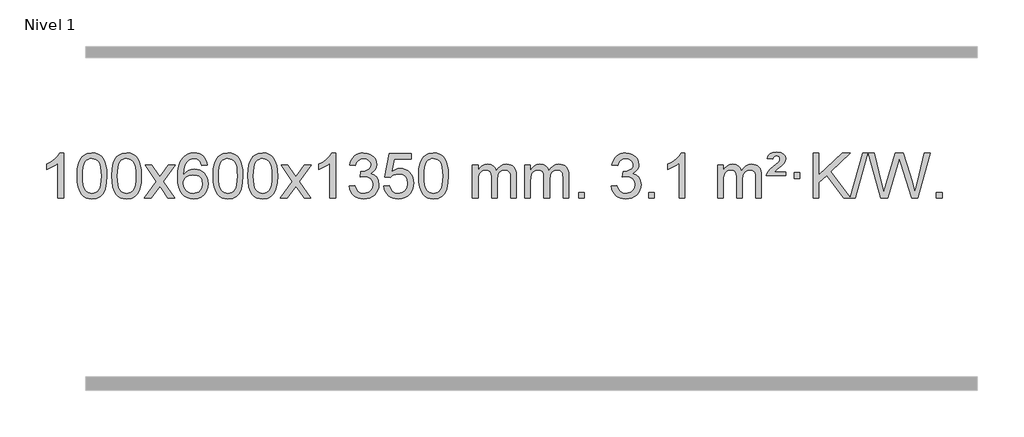
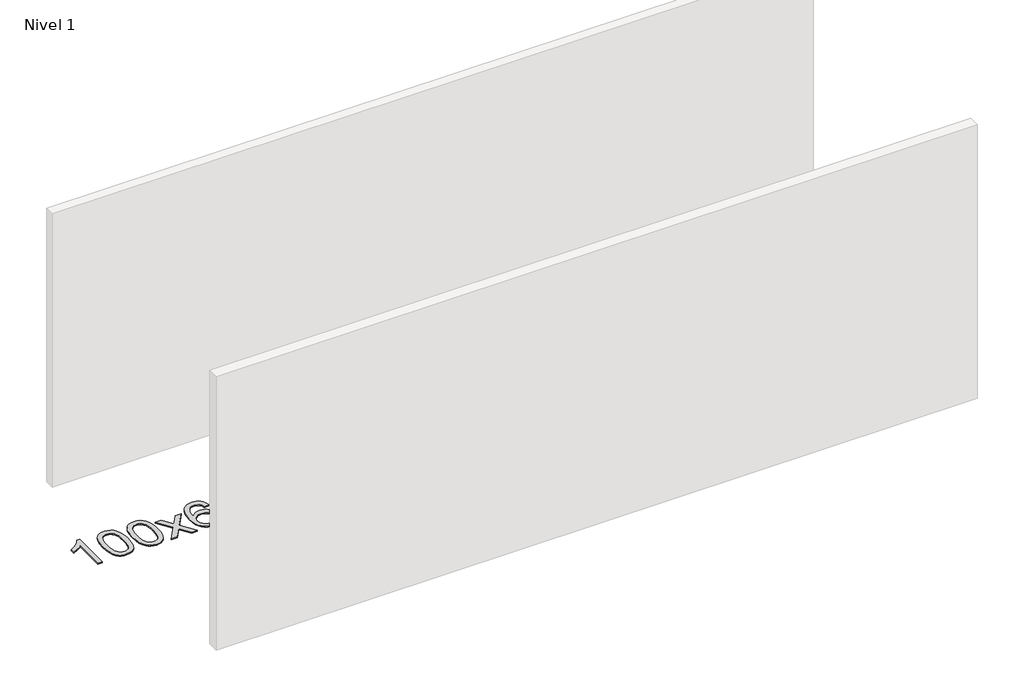
# One storey, part 9 of 18: 1 proxy.
"""IFC4 building model written with IfcOpenShell, lengths in millimetres."""

from ifc_helpers import new_model, si_unit, origin, origin_with_axes, place, context, project, spatial, polyline, outline, extrude, element, save

model = new_model("IFC4")

# Units and contexts
model_context = context("Model", 3, world=origin())
ifc_project = project(units=[si_unit("LENGTHUNIT", "METRE", prefix="MILLI")], contexts=[model_context])

# Site, building, storey
site = spatial("IfcSite", under=ifc_project)
building = spatial("IfcBuilding", under=site)
storey = spatial("IfcBuildingStorey", under=building, Name="Nivel 1", Elevation=0.0)

# Proxy
placement = place(None, origin())
element("IfcBuildingElementProxy", 1, Name="Texto de modelo 1", ObjectType="Texto de modelo 1", at=placement, inside=storey, context=model_context, shape_type="SweptSolid", body=[
    extrude(outline(polyline([(-13075.4615788, -15470.579453), (-13125.6897338, -15470.579453), (-13125.6897338, -15157.4382987), (-13146.6590076, -15174.3976587), (-13173.2691385, -15191.3324932), (-13226.146044, -15216.6918254), (-13226.146044, -15169.2105225), (-13186.6968314, -15147.7507395), (-13152.520594, -15122.219729), (-13125.5793692, -15095.0700378), (-13107.8351943, -15068.7542124), (-13075.4615788, -15068.7542124), (-13075.4615788, -15470.579453)])), origin_with_axes(), (0.0, 0.0, 1.0), 10.0),
    extrude(outline(polyline([(-12956.1697105, -15272.9041943), (-12952.4786278, -15208.5861588), (-12941.4053797, -15157.2911459), (-12923.0603309, -15118.2343407), (-12911.2022679, -15103.0009605), (-12897.5538459, -15090.6309284), (-12882.0690796, -15081.0598651), (-12864.7019837, -15074.2233914), (-12824.3208034, -15068.7542124), (-12793.3696649, -15071.991574), (-12765.6558879, -15081.7036586), (-12742.4793222, -15097.5103217), (-12725.1398175, -15119.0314184), (-12712.0432185, -15146.0830078), (-12701.5953698, -15178.4811488), (-12694.7527647, -15219.6226186), (-12692.4718963, -15272.9041943), (-12696.1261908, -15336.8543477), (-12707.0890743, -15388.0267333), (-12725.3237585, -15427.1203266), (-12737.1542303, -15442.3996922), (-12750.7934553, -15454.8341036), (-12766.2966157, -15464.4695462), (-12783.7188939, -15471.3520052), (-12824.3208034, -15476.8579724), (-12851.9855294, -15474.4667394), (-12876.5109958, -15467.2930405), (-12897.8972024, -15455.3368757), (-12916.1441494, -15438.5982449), (-12933.6553324, -15408.3399508), (-12946.1633202, -15370.6381776), (-12953.6681129, -15325.4929255), (-12956.1697105, -15272.9041943)]), holes=[polyline([(-12905.9415554, -15272.8060924), (-12904.4700274, -15316.4706195), (-12900.0554435, -15351.8148822), (-12892.6978036, -15378.8388804), (-12882.3971077, -15397.5426142), (-12869.9381708, -15410.2682656), (-12856.1058078, -15419.3580165), (-12840.9000186, -15424.8118671), (-12824.3208034, -15426.6298173), (-12807.7415881, -15424.8057357), (-12792.535799, -15419.3334911), (-12778.703436, -15410.2130833), (-12766.2444991, -15397.4445124), (-12755.9438032, -15378.7101217), (-12748.5861633, -15351.6922549), (-12744.1715794, -15316.3909118), (-12742.7000514, -15272.8060924), (-12744.1225284, -15230.2973278), (-12748.3899596, -15195.5753989), (-12755.5023448, -15168.6403055), (-12765.4596842, -15149.4920476), (-12777.7101546, -15136.1440625), (-12791.7019332, -15126.6097875), (-12807.4350198, -15120.8892225), (-12824.9094146, -15118.9823675), (-12841.4027907, -15120.6623619), (-12856.3510624, -15125.7023452), (-12869.7542298, -15134.1023175), (-12881.6122928, -15145.8622786), (-12892.2563452, -15166.708925), (-12899.8592397, -15194.8151094), (-12904.4209765, -15230.1808319), (-12905.9415554, -15272.8060924)])]), origin_with_axes(), (0.0, 0.0, 1.0), 10.0),
    extrude(outline(polyline([(-12648.5222606, -15272.9041943), (-12644.8311779, -15208.5861588), (-12633.7579299, -15157.2911459), (-12615.4128811, -15118.2343407), (-12603.5548181, -15103.0009605), (-12589.9063961, -15090.6309284), (-12574.4216298, -15081.0598651), (-12557.0545339, -15074.2233914), (-12516.6733536, -15068.7542124), (-12485.722215, -15071.991574), (-12458.0084381, -15081.7036586), (-12434.8318724, -15097.5103217), (-12417.4923677, -15119.0314184), (-12404.3957686, -15146.0830078), (-12393.94792, -15178.4811488), (-12387.1053149, -15219.6226186), (-12384.8244465, -15272.9041943), (-12388.478741, -15336.8543477), (-12399.4416244, -15388.0267333), (-12417.6763087, -15427.1203266), (-12429.5067805, -15442.3996922), (-12443.1460055, -15454.8341036), (-12458.6491659, -15464.4695462), (-12476.071444, -15471.3520052), (-12516.6733536, -15476.8579724), (-12544.3380796, -15474.4667394), (-12568.8635459, -15467.2930405), (-12590.2497526, -15455.3368757), (-12608.4966996, -15438.5982449), (-12626.0078825, -15408.3399508), (-12638.5158704, -15370.6381776), (-12646.0206631, -15325.4929255), (-12648.5222606, -15272.9041943)]), holes=[polyline([(-12598.2941056, -15272.8060924), (-12596.8225776, -15316.4706195), (-12592.4079936, -15351.8148822), (-12585.0503537, -15378.8388804), (-12574.7496579, -15397.5426142), (-12562.290721, -15410.2682656), (-12548.4583579, -15419.3580165), (-12533.2525688, -15424.8118671), (-12516.6733536, -15426.6298173), (-12500.0941383, -15424.8057357), (-12484.8883492, -15419.3334911), (-12471.0559862, -15410.2130833), (-12458.5970493, -15397.4445124), (-12448.2963534, -15378.7101217), (-12440.9387135, -15351.6922549), (-12436.5241295, -15316.3909118), (-12435.0526016, -15272.8060924), (-12436.4750786, -15230.2973278), (-12440.7425098, -15195.5753989), (-12447.854895, -15168.6403055), (-12457.8122343, -15149.4920476), (-12470.0627048, -15136.1440625), (-12484.0544833, -15126.6097875), (-12499.78757, -15120.8892225), (-12517.2619648, -15118.9823675), (-12533.7553409, -15120.6623619), (-12548.7036126, -15125.7023452), (-12562.10678, -15134.1023175), (-12573.9648429, -15145.8622786), (-12584.6088953, -15166.708925), (-12592.2117899, -15194.8151094), (-12596.7735266, -15230.1808319), (-12598.2941056, -15272.8060924)])]), origin_with_axes(), (0.0, 0.0, 1.0), 10.0),
    extrude(outline(polyline([(-12359.7103689, -15470.579453), (-12252.3869282, -15322.2494325), (-12353.4318496, -15175.4890419), (-12293.0011005, -15175.4890419), (-12244.2444734, -15246.122385), (-12221.4848406, -15279.4770192), (-12201.7663657, -15252.2047007), (-12146.2407099, -15175.4890419), (-12085.8099608, -15175.4890419), (-12191.9561791, -15322.2494325), (-12089.7340354, -15470.579453), (-12150.1647845, -15470.579453), (-12211.6746541, -15381.4048574), (-12222.9563686, -15365.1199477), (-12299.2796199, -15470.579453), (-12359.7103689, -15470.579453)])), origin_with_axes(), (0.0, 0.0, 1.0), 10.0),
    extrude(outline(polyline([(-11800.9221437, -15175.4890419), (-11851.1502988, -15181.7675613), (-11859.2437027, -15156.874213), (-11870.1820607, -15139.8780648), (-11892.9662189, -15124.2062918), (-11920.5083176, -15118.9823675), (-11943.8565616, -15122.0235253), (-11965.8313794, -15131.1469988), (-11984.7037258, -15150.3627017), (-12000.1179814, -15176.8134171), (-12010.5290419, -15214.227016), (-12014.3918028, -15266.3313693), (-11994.2441322, -15242.8237098), (-11970.0988106, -15226.2567573), (-11943.3047386, -15216.434308), (-11915.2108169, -15213.1601582), (-11891.077758, -15215.398107), (-11868.8086346, -15222.1119534), (-11848.4034466, -15233.3016975), (-11829.862194, -15248.9673391), (-11814.4540698, -15268.1769106), (-11803.4482668, -15289.9984443), (-11796.844785, -15314.4319401), (-11794.6436244, -15341.4773982), (-11798.7884282, -15377.4439945), (-11811.2228396, -15410.786366), (-11830.9167891, -15439.0642287), (-11856.840207, -15459.8372987), (-11887.815871, -15472.602804), (-11922.6665587, -15476.8579724), (-11952.6090874, -15474.0375437), (-11979.6514797, -15465.5762579), (-12003.7937357, -15451.4741147), (-12025.0358552, -15431.7311143), (-12042.3539001, -15405.5133908), (-12054.7239322, -15371.9870783), (-12062.1459515, -15331.1521768), (-12064.6199579, -15283.0086864), (-12061.8731057, -15229.0342663), (-12053.632549, -15182.9693092), (-12039.8982878, -15144.8138149), (-12020.6703222, -15114.5677835), (-11999.8298072, -15094.5243462), (-11975.6660915, -15080.2076052), (-11948.179175, -15071.6175606), (-11917.3690579, -15068.7542124), (-11894.2354118, -15070.5261773), (-11873.2967949, -15075.8420722), (-11854.5532073, -15084.7018969), (-11838.0046489, -15097.1056515), (-11824.0987094, -15112.6364031), (-11813.2829788, -15130.8772186), (-11805.5574569, -15151.8280983), (-11800.9221437, -15175.4890419)]), holes=[polyline([(-12014.3918028, -15340.6925832), (-12011.485535, -15362.9494439), (-12002.7667318, -15384.2007605), (-11989.2286743, -15402.472233), (-11971.8646442, -15415.7895612), (-11950.9076332, -15423.9197533), (-11926.5906333, -15426.6298173), (-11893.4444655, -15421.0134855), (-11879.5293291, -15413.9930708), (-11867.3861575, -15404.1644901), (-11857.5361171, -15391.9262824), (-11850.500374, -15377.6769865), (-11844.8717794, -15343.1451299), (-11850.4267976, -15309.9989621), (-11857.3705702, -15296.3781312), (-11867.0918519, -15284.725469), (-11879.2718117, -15275.3904634), (-11893.5916183, -15268.7226022), (-11928.6507725, -15263.3883133), (-11961.7478893, -15268.7226022), (-11989.4248781, -15284.725469), (-12000.3479076, -15296.2248471), (-12008.1500716, -15309.3858254), (-12012.83137, -15324.2084042), (-12014.3918028, -15340.6925832)])]), origin_with_axes(), (0.0, 0.0, 1.0), 10.0),
    extrude(outline(polyline([(-11750.6939887, -15272.9041943), (-11747.002906, -15208.5861588), (-11735.9296579, -15157.2911459), (-11717.5846091, -15118.2343407), (-11705.7265461, -15103.0009605), (-11692.0781241, -15090.6309284), (-11676.5933578, -15081.0598651), (-11659.2262619, -15074.2233914), (-11618.8450816, -15068.7542124), (-11587.8939431, -15071.991574), (-11560.1801661, -15081.7036586), (-11537.0036004, -15097.5103217), (-11519.6640957, -15119.0314184), (-11506.5674967, -15146.0830078), (-11496.119648, -15178.4811488), (-11489.2770429, -15219.6226186), (-11486.9961745, -15272.9041943), (-11490.650469, -15336.8543477), (-11501.6133525, -15388.0267333), (-11519.8480367, -15427.1203266), (-11531.6785085, -15442.3996922), (-11545.3177335, -15454.8341036), (-11560.8208939, -15464.4695462), (-11578.2431721, -15471.3520052), (-11618.8450816, -15476.8579724), (-11646.5098076, -15474.4667394), (-11671.035274, -15467.2930405), (-11692.4214806, -15455.3368757), (-11710.6684276, -15438.5982449), (-11728.1796106, -15408.3399508), (-11740.6875984, -15370.6381776), (-11748.1923911, -15325.4929255), (-11750.6939887, -15272.9041943)]), holes=[polyline([(-11700.4658336, -15272.8060924), (-11698.9943056, -15316.4706195), (-11694.5797217, -15351.8148822), (-11687.2220818, -15378.8388804), (-11676.9213859, -15397.5426142), (-11664.462449, -15410.2682656), (-11650.630086, -15419.3580165), (-11635.4242968, -15424.8118671), (-11618.8450816, -15426.6298173), (-11602.2658663, -15424.8057357), (-11587.0600772, -15419.3334911), (-11573.2277142, -15410.2130833), (-11560.7687773, -15397.4445124), (-11550.4680814, -15378.7101217), (-11543.1104415, -15351.6922549), (-11538.6958576, -15316.3909118), (-11537.2243296, -15272.8060924), (-11538.6468066, -15230.2973278), (-11542.9142378, -15195.5753989), (-11550.026623, -15168.6403055), (-11559.9839624, -15149.4920476), (-11572.2344328, -15136.1440625), (-11586.2262114, -15126.6097875), (-11601.959298, -15120.8892225), (-11619.4336928, -15118.9823675), (-11635.9270689, -15120.6623619), (-11650.8753406, -15125.7023452), (-11664.278508, -15134.1023175), (-11676.136571, -15145.8622786), (-11686.7806234, -15166.708925), (-11694.3835179, -15194.8151094), (-11698.9452547, -15230.1808319), (-11700.4658336, -15272.8060924)])]), origin_with_axes(), (0.0, 0.0, 1.0), 10.0),
    extrude(outline(polyline([(-11443.0465388, -15272.9041943), (-11439.3554561, -15208.5861588), (-11428.2822081, -15157.2911459), (-11409.9371593, -15118.2343407), (-11398.0790963, -15103.0009605), (-11384.4306743, -15090.6309284), (-11368.945908, -15081.0598651), (-11351.5788121, -15074.2233914), (-11311.1976318, -15068.7542124), (-11280.2464932, -15071.991574), (-11252.5327163, -15081.7036586), (-11229.3561506, -15097.5103217), (-11212.0166459, -15119.0314184), (-11198.9200468, -15146.0830078), (-11188.4721982, -15178.4811488), (-11181.6295931, -15219.6226186), (-11179.3487247, -15272.9041943), (-11183.0030192, -15336.8543477), (-11193.9659026, -15388.0267333), (-11212.2005869, -15427.1203266), (-11224.0310587, -15442.3996922), (-11237.6702837, -15454.8341036), (-11253.1734441, -15464.4695462), (-11270.5957222, -15471.3520052), (-11311.1976318, -15476.8579724), (-11338.8623578, -15474.4667394), (-11363.3878241, -15467.2930405), (-11384.7740308, -15455.3368757), (-11403.0209778, -15438.5982449), (-11420.5321607, -15408.3399508), (-11433.0401486, -15370.6381776), (-11440.5449413, -15325.4929255), (-11443.0465388, -15272.9041943)]), holes=[polyline([(-11392.8183838, -15272.8060924), (-11391.3468558, -15316.4706195), (-11386.9322718, -15351.8148822), (-11379.5746319, -15378.8388804), (-11369.2739361, -15397.5426142), (-11356.8149992, -15410.2682656), (-11342.9826361, -15419.3580165), (-11327.776847, -15424.8118671), (-11311.1976318, -15426.6298173), (-11294.6184165, -15424.8057357), (-11279.4126274, -15419.3334911), (-11265.5802644, -15410.2130833), (-11253.1213275, -15397.4445124), (-11242.8206316, -15378.7101217), (-11235.4629917, -15351.6922549), (-11231.0484077, -15316.3909118), (-11229.5768798, -15272.8060924), (-11230.9993568, -15230.2973278), (-11235.266788, -15195.5753989), (-11242.3791732, -15168.6403055), (-11252.3365125, -15149.4920476), (-11264.586983, -15136.1440625), (-11278.5787615, -15126.6097875), (-11294.3118482, -15120.8892225), (-11311.786243, -15118.9823675), (-11328.2796191, -15120.6623619), (-11343.2278908, -15125.7023452), (-11356.6310582, -15134.1023175), (-11368.4891211, -15145.8622786), (-11379.1331735, -15166.708925), (-11386.7360681, -15194.8151094), (-11391.2978048, -15230.1808319), (-11392.8183838, -15272.8060924)])]), origin_with_axes(), (0.0, 0.0, 1.0), 10.0),
    extrude(outline(polyline([(-11154.2346472, -15470.579453), (-11046.9112064, -15322.2494325), (-11147.9561278, -15175.4890419), (-11087.5253787, -15175.4890419), (-11038.7687516, -15246.122385), (-11016.0091188, -15279.4770192), (-10996.2906439, -15252.2047007), (-10940.7649881, -15175.4890419), (-10880.334239, -15175.4890419), (-10986.4804574, -15322.2494325), (-10884.2583136, -15470.579453), (-10944.6890627, -15470.579453), (-11006.1989323, -15381.4048574), (-11017.4806468, -15365.1199477), (-11093.8038981, -15470.579453), (-11154.2346472, -15470.579453)])), origin_with_axes(), (0.0, 0.0, 1.0), 10.0),
    extrude(outline(polyline([(-10664.5101352, -15470.579453), (-10714.7382902, -15470.579453), (-10714.7382902, -15157.4382987), (-10735.707564, -15174.3976587), (-10762.317695, -15191.3324932), (-10815.1946004, -15216.6918254), (-10815.1946004, -15169.2105225), (-10775.7453878, -15147.7507395), (-10741.5691504, -15122.219729), (-10714.6279257, -15095.0700378), (-10696.8837508, -15068.7542124), (-10664.5101352, -15068.7542124), (-10664.5101352, -15470.579453)])), origin_with_axes(), (0.0, 0.0, 1.0), 10.0),
    extrude(outline(polyline([(-10545.2182669, -15363.8446235), (-10494.9901118, -15357.5661041), (-10483.7451855, -15389.1303793), (-10467.2763348, -15410.4430095), (-10444.7742195, -15422.5831154), (-10415.429499, -15426.6298173), (-10380.9957442, -15421.0625364), (-10366.7219228, -15414.1034354), (-10354.4101387, -15404.3606939), (-10337.4139905, -15379.4428201), (-10331.7486078, -15349.2274455), (-10337.3649396, -15320.5449126), (-10354.213935, -15297.2825078), (-10379.72042, -15281.8682522), (-10411.3092206, -15276.730167), (-10446.5277903, -15282.2238715), (-10440.935984, -15231.9957164), (-10432.891631, -15232.5843276), (-10402.7988838, -15228.979084), (-10375.8944472, -15218.1633534), (-10364.8211992, -15209.9841103), (-10356.9117363, -15199.8673555), (-10352.1660585, -15187.8130888), (-10350.584166, -15173.8213102), (-10355.1704282, -15152.1285352), (-10368.9292148, -15134.5315131), (-10389.923014, -15122.8696539), (-10416.2143139, -15118.9823675), (-10442.5546648, -15122.9064421), (-10464.0880242, -15134.6786659), (-10479.8088481, -15154.299039), (-10488.7115924, -15181.7675613), (-10538.9397475, -15175.4890419), (-10532.9861905, -15151.5092672), (-10524.1508913, -15130.3867093), (-10512.4338497, -15112.1213683), (-10497.8350659, -15096.713244), (-10480.8143922, -15084.4811677), (-10461.8316813, -15075.7439703), (-10440.886933, -15070.5016519), (-10417.9801475, -15068.7542124), (-10386.4036096, -15072.2000404), (-10357.4022456, -15082.5375245), (-10332.9503557, -15098.8469596), (-10315.0222398, -15120.2086408), (-10304.0225681, -15144.8199463), (-10300.3560109, -15170.8782543), (-10303.8386271, -15195.1584659), (-10314.2864758, -15217.1823347), (-10331.5524041, -15235.9443165), (-10355.4892592, -15250.4388671), (-10324.0476114, -15263.1430586), (-10300.7484183, -15284.77452), (-10286.3274441, -15314.1560286), (-10281.5204527, -15350.1103623), (-10283.9239484, -15375.5923218), (-10291.1344355, -15399.0631931), (-10303.151914, -15420.5229762), (-10319.976384, -15439.971671), (-10340.4735425, -15456.1094278), (-10363.5090867, -15467.636397), (-10389.0830168, -15474.5525785), (-10417.1953326, -15476.8579724), (-10442.6037157, -15474.8898037), (-10465.7557559, -15468.9852977), (-10486.6514532, -15459.1444543), (-10505.2908077, -15445.3672736), (-10520.9196611, -15428.4630959), (-10532.7838554, -15409.2412617), (-10540.8833907, -15387.7017708), (-10545.2182669, -15363.8446235)])), origin_with_axes(), (0.0, 0.0, 1.0), 10.0),
    extrude(outline(polyline([(-10237.570817, -15363.8446235), (-10187.342662, -15357.5661041), (-10178.1210866, -15387.7201649), (-10162.0323807, -15409.3148381), (-10139.1501206, -15422.3010725), (-10109.5478827, -15426.6298173), (-10090.418019, -15425.1245668), (-10073.5444981, -15420.6088153), (-10058.9273202, -15413.0825628), (-10046.5664851, -15402.5458094), (-10036.7379045, -15389.519721), (-10029.7174898, -15374.5254641), (-10024.101158, -15338.6324441), (-10029.3618705, -15304.8363514), (-10035.9377612, -15290.9181493), (-10045.1440081, -15278.9865099), (-10057.0112681, -15269.4154467), (-10071.5701981, -15262.5789729), (-10108.7630678, -15257.1097939), (-10133.1291186, -15259.2925604), (-10152.8598563, -15265.8408599), (-10168.6174684, -15275.8717757), (-10181.0641426, -15288.5023908), (-10231.2922977, -15282.2238715), (-10187.342662, -15075.0327318), (-9992.708561, -15075.0327318), (-9992.708561, -15125.2608869), (-10146.7284897, -15125.2608869), (-10168.2127982, -15235.919791), (-10150.4870174, -15223.2155994), (-10132.332041, -15214.1411769), (-10113.7478688, -15208.6965234), (-10094.734501, -15206.8816388), (-10070.273414, -15209.1318504), (-10047.8050212, -15215.882485), (-10027.3293225, -15227.1335427), (-10008.8463179, -15242.8850234), (-9993.5454926, -15262.1743027), (-9982.6163316, -15284.038756), (-9976.0588351, -15308.4783832), (-9973.8730029, -15335.4931844), (-9975.8411716, -15361.5147042), (-9981.7456776, -15385.7213394), (-9991.586521, -15408.1130902), (-10005.3637017, -15428.6899565), (-10026.2348735, -15449.7634634), (-10050.5886616, -15464.8159684), (-10078.4250659, -15473.8474714), (-10109.7440864, -15476.8579724), (-10135.6644387, -15474.9235262), (-10159.077062, -15469.1201877), (-10179.9819564, -15459.447957), (-10198.3791218, -15445.9068338), (-10213.6860785, -15429.1712688), (-10225.3203466, -15409.915712), (-10233.2819261, -15388.1401636), (-10237.570817, -15363.8446235)])), origin_with_axes(), (0.0, 0.0, 1.0), 10.0),
    extrude(outline(polyline([(-9929.9233672, -15272.9041943), (-9926.2322845, -15208.5861588), (-9915.1590365, -15157.2911459), (-9896.8139876, -15118.2343407), (-9884.9559247, -15103.0009605), (-9871.3075026, -15090.6309284), (-9855.8227363, -15081.0598651), (-9838.4556405, -15074.2233914), (-9798.0744601, -15068.7542124), (-9767.1233216, -15071.991574), (-9739.4095446, -15081.7036586), (-9716.2329789, -15097.5103217), (-9698.8934742, -15119.0314184), (-9685.7968752, -15146.0830078), (-9675.3490265, -15178.4811488), (-9668.5064214, -15219.6226186), (-9666.2255531, -15272.9041943), (-9669.8798475, -15336.8543477), (-9680.842731, -15388.0267333), (-9699.0774152, -15427.1203266), (-9710.9078871, -15442.3996922), (-9724.547112, -15454.8341036), (-9740.0502724, -15464.4695462), (-9757.4725506, -15471.3520052), (-9798.0744601, -15476.8579724), (-9825.7391862, -15474.4667394), (-9850.2646525, -15467.2930405), (-9871.6508592, -15455.3368757), (-9889.8978061, -15438.5982449), (-9907.4089891, -15408.3399508), (-9919.9169769, -15370.6381776), (-9927.4217696, -15325.4929255), (-9929.9233672, -15272.9041943)]), holes=[polyline([(-9879.6952121, -15272.8060924), (-9878.2236842, -15316.4706195), (-9873.8091002, -15351.8148822), (-9866.4514603, -15378.8388804), (-9856.1507644, -15397.5426142), (-9843.6918275, -15410.2682656), (-9829.8594645, -15419.3580165), (-9814.6536754, -15424.8118671), (-9798.0744601, -15426.6298173), (-9781.4952449, -15424.8057357), (-9766.2894558, -15419.3334911), (-9752.4570927, -15410.2130833), (-9739.9981558, -15397.4445124), (-9729.69746, -15378.7101217), (-9722.3398201, -15351.6922549), (-9717.9252361, -15316.3909118), (-9716.4537081, -15272.8060924), (-9717.8761852, -15230.2973278), (-9722.1436163, -15195.5753989), (-9729.2560016, -15168.6403055), (-9739.2133409, -15149.4920476), (-9751.4638113, -15136.1440625), (-9765.4555899, -15126.6097875), (-9781.1886766, -15120.8892225), (-9798.6630713, -15118.9823675), (-9815.1564474, -15120.6623619), (-9830.1047192, -15125.7023452), (-9843.5078865, -15134.1023175), (-9855.3659495, -15145.8622786), (-9866.0100019, -15166.708925), (-9873.6128965, -15194.8151094), (-9878.1746332, -15230.1808319), (-9879.6952121, -15272.8060924)])]), origin_with_axes(), (0.0, 0.0, 1.0), 10.0),
    extrude(outline(polyline([(-9452.755894, -15470.579453), (-9452.755894, -15175.4890419), (-9402.5277389, -15175.4890419), (-9402.5277389, -15224.0494653), (-9387.4200517, -15201.7435537), (-9367.9958823, -15184.2691589), (-9344.9174185, -15172.9751816), (-9318.8468478, -15169.2105225), (-9290.9123416, -15173.048758), (-9268.5205908, -15184.5634645), (-9251.7942228, -15202.9943524), (-9240.8558648, -15227.5811324), (-9222.5476041, -15202.0439906), (-9201.6641696, -15183.803175), (-9178.205561, -15172.8586857), (-9152.1717785, -15169.2105225), (-9132.0639617, -15170.7280358), (-9114.414823, -15175.2805755), (-9099.2243623, -15182.8681416), (-9086.4925796, -15193.4907342), (-9076.4279413, -15207.2709806), (-9069.238914, -15224.3315082), (-9064.9254976, -15244.6723168), (-9063.4876922, -15268.2934066), (-9063.4876922, -15470.579453), (-9113.7158472, -15470.579453), (-9113.7158472, -15289.875817), (-9114.8808069, -15264.8230531), (-9118.3756858, -15247.9372695), (-9124.9239854, -15236.3735121), (-9135.2492067, -15227.2868268), (-9148.5297467, -15221.4007149), (-9163.9440023, -15219.4386776), (-9191.1550072, -15224.4663982), (-9213.3382915, -15239.54956), (-9221.9436645, -15251.1194488), (-9228.0903595, -15265.7182326), (-9233.0077155, -15304.0024856), (-9233.0077155, -15470.579453), (-9283.2358706, -15470.579453), (-9283.2358706, -15284.2840106), (-9286.1421384, -15255.8835206), (-9294.8609417, -15235.6254854), (-9310.2016209, -15223.4853796), (-9332.9735164, -15219.4386776), (-9352.3241093, -15222.1364789), (-9370.1541233, -15230.2298828), (-9384.8694032, -15243.5226856), (-9394.8757934, -15261.8186835), (-9400.6147525, -15287.2025411), (-9402.5277389, -15321.7589232), (-9402.5277389, -15470.579453), (-9452.755894, -15470.579453)])), origin_with_axes(), (0.0, 0.0, 1.0), 10.0),
    extrude(outline(polyline([(-8988.1454596, -15470.579453), (-8988.1454596, -15175.4890419), (-8937.9173045, -15175.4890419), (-8937.9173045, -15224.0494653), (-8922.8096172, -15201.7435537), (-8903.3854479, -15184.2691589), (-8880.306984, -15172.9751816), (-8854.2364133, -15169.2105225), (-8826.3019071, -15173.048758), (-8803.9101564, -15184.5634645), (-8787.1837883, -15202.9943524), (-8776.2454303, -15227.5811324), (-8757.9371697, -15202.0439906), (-8737.0537351, -15183.803175), (-8713.5951266, -15172.8586857), (-8687.561344, -15169.2105225), (-8667.4535273, -15170.7280358), (-8649.8043886, -15175.2805755), (-8634.6139279, -15182.8681416), (-8621.8821452, -15193.4907342), (-8611.8175069, -15207.2709806), (-8604.6284796, -15224.3315082), (-8600.3150632, -15244.6723168), (-8598.8772577, -15268.2934066), (-8598.8772577, -15470.579453), (-8649.1054128, -15470.579453), (-8649.1054128, -15289.875817), (-8650.2703724, -15264.8230531), (-8653.7652514, -15247.9372695), (-8660.3135509, -15236.3735121), (-8670.6387722, -15227.2868268), (-8683.9193123, -15221.4007149), (-8699.3335679, -15219.4386776), (-8726.5445728, -15224.4663982), (-8748.7278571, -15239.54956), (-8757.3332301, -15251.1194488), (-8763.4799251, -15265.7182326), (-8768.3972811, -15304.0024856), (-8768.3972811, -15470.579453), (-8818.6254362, -15470.579453), (-8818.6254362, -15284.2840106), (-8821.5317039, -15255.8835206), (-8830.2505072, -15235.6254854), (-8845.5911864, -15223.4853796), (-8868.3630819, -15219.4386776), (-8887.7136749, -15222.1364789), (-8905.5436889, -15230.2298828), (-8920.2589687, -15243.5226856), (-8930.265359, -15261.8186835), (-8936.0043181, -15287.2025411), (-8937.9173045, -15321.7589232), (-8937.9173045, -15470.579453), (-8988.1454596, -15470.579453)])), origin_with_axes(), (0.0, 0.0, 1.0), 10.0),
    extrude(outline(polyline([(-8510.9779863, -15470.579453), (-8510.9779863, -15420.3512979), (-8460.7498313, -15420.3512979), (-8460.7498313, -15470.579453), (-8510.9779863, -15470.579453)])), origin_with_axes(), (0.0, 0.0, 1.0), 10.0),
    extrude(outline(polyline([(-8222.1660947, -15363.8446235), (-8171.9379396, -15357.5661041), (-8160.6930133, -15389.1303793), (-8144.2241626, -15410.4430095), (-8121.7220472, -15422.5831154), (-8092.3773268, -15426.6298173), (-8057.943572, -15421.0625364), (-8043.6697506, -15414.1034354), (-8031.3579665, -15404.3606939), (-8014.3618183, -15379.4428201), (-8008.6964356, -15349.2274455), (-8014.3127674, -15320.5449126), (-8031.1617628, -15297.2825078), (-8056.6682478, -15281.8682522), (-8088.2570484, -15276.730167), (-8123.4756181, -15282.2238715), (-8117.8838118, -15231.9957164), (-8109.8394588, -15232.5843276), (-8079.7467116, -15228.979084), (-8052.842275, -15218.1633534), (-8041.769027, -15209.9841103), (-8033.8595641, -15199.8673555), (-8029.1138863, -15187.8130888), (-8027.5319937, -15173.8213102), (-8032.118256, -15152.1285352), (-8045.8770426, -15134.5315131), (-8066.8708418, -15122.8696539), (-8093.1621417, -15118.9823675), (-8119.5024925, -15122.9064421), (-8141.035852, -15134.6786659), (-8156.7566759, -15154.299039), (-8165.6594202, -15181.7675613), (-8215.8875753, -15175.4890419), (-8209.9340183, -15151.5092672), (-8201.0987191, -15130.3867093), (-8189.3816775, -15112.1213683), (-8174.7828937, -15096.713244), (-8157.76222, -15084.4811677), (-8138.7795091, -15075.7439703), (-8117.8347608, -15070.5016519), (-8094.9279753, -15068.7542124), (-8063.3514373, -15072.2000404), (-8034.3500734, -15082.5375245), (-8009.8981834, -15098.8469596), (-7991.9700675, -15120.2086408), (-7980.9703959, -15144.8199463), (-7977.3038387, -15170.8782543), (-7980.7864549, -15195.1584659), (-7991.2343036, -15217.1823347), (-8008.5002319, -15235.9443165), (-8032.437087, -15250.4388671), (-8000.9954392, -15263.1430586), (-7977.6962461, -15284.77452), (-7963.2752719, -15314.1560286), (-7958.4682805, -15350.1103623), (-7960.8717762, -15375.5923218), (-7968.0822633, -15399.0631931), (-7980.0997418, -15420.5229762), (-7996.9242117, -15439.971671), (-8017.4213702, -15456.1094278), (-8040.4569145, -15467.636397), (-8066.0308445, -15474.5525785), (-8094.1431603, -15476.8579724), (-8119.5515435, -15474.8898037), (-8142.7035837, -15468.9852977), (-8163.599281, -15459.1444543), (-8182.2386355, -15445.3672736), (-8197.8674889, -15428.4630959), (-8209.7316832, -15409.2412617), (-8217.8312185, -15387.7017708), (-8222.1660947, -15363.8446235)])), origin_with_axes(), (0.0, 0.0, 1.0), 10.0),
    extrude(outline(polyline([(-7889.4045673, -15470.579453), (-7889.4045673, -15420.3512979), (-7839.1764122, -15420.3512979), (-7839.1764122, -15470.579453), (-7889.4045673, -15470.579453)])), origin_with_axes(), (0.0, 0.0, 1.0), 10.0),
    extrude(outline(polyline([(-7569.2000787, -15470.579453), (-7619.4282338, -15470.579453), (-7619.4282338, -15157.4382987), (-7640.3975075, -15174.3976587), (-7667.0076385, -15191.3324932), (-7719.8845439, -15216.6918254), (-7719.8845439, -15169.2105225), (-7680.4353313, -15147.7507395), (-7646.2590939, -15122.219729), (-7619.3178692, -15095.0700378), (-7601.5736943, -15068.7542124), (-7569.2000787, -15068.7542124), (-7569.2000787, -15470.579453)])), origin_with_axes(), (0.0, 0.0, 1.0), 10.0),
    extrude(outline(polyline([(-7280.388187, -15470.579453), (-7280.388187, -15175.4890419), (-7230.1600319, -15175.4890419), (-7230.1600319, -15224.0494653), (-7215.0523447, -15201.7435537), (-7195.6281753, -15184.2691589), (-7172.5497115, -15172.9751816), (-7146.4791408, -15169.2105225), (-7118.5446346, -15173.048758), (-7096.1528838, -15184.5634645), (-7079.4265158, -15202.9943524), (-7068.4881578, -15227.5811324), (-7050.1798972, -15202.0439906), (-7029.2964626, -15183.803175), (-7005.837854, -15172.8586857), (-6979.8040715, -15169.2105225), (-6959.6962548, -15170.7280358), (-6942.047116, -15175.2805755), (-6926.8566553, -15182.8681416), (-6914.1248726, -15193.4907342), (-6904.0602344, -15207.2709806), (-6896.871207, -15224.3315082), (-6892.5577906, -15244.6723168), (-6891.1199852, -15268.2934066), (-6891.1199852, -15470.579453), (-6941.3481403, -15470.579453), (-6941.3481403, -15289.875817), (-6942.5130999, -15264.8230531), (-6946.0079789, -15247.9372695), (-6952.5562784, -15236.3735121), (-6962.8814997, -15227.2868268), (-6976.1620397, -15221.4007149), (-6991.5762953, -15219.4386776), (-7018.7873002, -15224.4663982), (-7040.9705845, -15239.54956), (-7049.5759576, -15251.1194488), (-7055.7226526, -15265.7182326), (-7060.6400086, -15304.0024856), (-7060.6400086, -15470.579453), (-7110.8681636, -15470.579453), (-7110.8681636, -15284.2840106), (-7113.7744314, -15255.8835206), (-7122.4932347, -15235.6254854), (-7137.8339139, -15223.4853796), (-7160.6058094, -15219.4386776), (-7179.9564023, -15222.1364789), (-7197.7864164, -15230.2298828), (-7212.5016962, -15243.5226856), (-7222.5080864, -15261.8186835), (-7228.2470456, -15287.2025411), (-7230.1600319, -15321.7589232), (-7230.1600319, -15470.579453), (-7280.388187, -15470.579453)])), origin_with_axes(), (0.0, 0.0, 1.0), 10.0),
    extrude(outline(polyline([(-6847.1703495, -15269.6668327), (-6843.3443767, -15253.8479069), (-6835.0057182, -15237.9799302), (-6813.4968842, -15212.8413272), (-6781.5402016, -15185.1030247), (-6737.3943621, -15147.726214), (-6730.2574514, -15136.1992448), (-6727.8784812, -15124.3779701), (-6729.7669421, -15112.2869152), (-6735.4323248, -15102.5012541), (-6744.801053, -15096.026531), (-6757.7995501, -15093.8682899), (-6770.2339616, -15095.4869707), (-6779.0876549, -15100.343013), (-6785.5133271, -15109.8098431), (-6790.663675, -15125.2608869), (-6840.8918301, -15118.9823675), (-6830.051574, -15093.7701881), (-6813.4233078, -15076.2099542), (-6789.6581309, -15065.9092583), (-6757.4071427, -15062.475693), (-6721.6244873, -15066.6082341), (-6696.8782917, -15079.0058573), (-6682.4573175, -15097.3386434), (-6677.6503261, -15119.2766731), (-6681.746079, -15142.1834586), (-6694.0333376, -15163.8149199), (-6714.561153, -15183.6314968), (-6751.0305214, -15211.6886303), (-6776.6351083, -15238.2742358), (-6677.6503261, -15238.2742358), (-6677.6503261, -15269.6668327), (-6847.1703495, -15269.6668327)])), origin_with_axes(), (0.0, 0.0, 1.0), 10.0),
    extrude(outline(polyline([(-6602.3080935, -15294.7809102), (-6602.3080935, -15244.5527552), (-6552.0799384, -15244.5527552), (-6552.0799384, -15294.7809102), (-6602.3080935, -15294.7809102)])), origin_with_axes(), (0.0, 0.0, 1.0), 10.0),
    extrude(outline(polyline([(-6161.4383105, -15470.579453), (-6314.8696279, -15267.9009991), (-6382.559915, -15332.4520265), (-6382.559915, -15470.579453), (-6432.7880701, -15470.579453), (-6432.7880701, -15068.7542124), (-6382.559915, -15068.7542124), (-6382.559915, -15265.4484525), (-6176.5459977, -15068.7542124), (-6106.3050621, -15068.7542124), (-6279.2586508, -15233.9577537), (-6104.6050409, -15464.5349332), (-5993.2917132, -15068.7542124), (-5947.9686514, -15068.7542124), (-6060.9820003, -15470.579453), (-6100.0265428, -15470.579453), (-6106.3050621, -15470.579453), (-6161.4383105, -15470.579453)])), origin_with_axes(), (0.0, 0.0, 1.0), 10.0),
    extrude(outline(polyline([(-5833.4837745, -15470.579453), (-5943.0635581, -15068.7542124), (-5891.2657732, -15068.7542124), (-5827.6957645, -15332.844434), (-5808.0753914, -15414.3670841), (-5787.0815922, -15342.2622131), (-5707.4228775, -15068.7542124), (-5632.7673579, -15068.7542124), (-5574.8872574, -15267.0180823), (-5550.0920109, -15340.5944814), (-5531.8205385, -15414.3670841), (-5512.7887766, -15335.1988788), (-5448.6301566, -15068.7542124), (-5396.8323717, -15068.7542124), (-5506.5102572, -15470.579453), (-5560.1719776, -15470.579453), (-5656.5080094, -15160.5775584), (-5669.9479649, -15117.3146358), (-5685.0556522, -15169.4067263), (-5772.8568217, -15470.579453), (-5833.4837745, -15470.579453)])), origin_with_axes(), (0.0, 0.0, 1.0), 10.0),
    extrude(outline(polyline([(-5340.3256972, -15470.579453), (-5340.3256972, -15420.3512979), (-5290.0975422, -15420.3512979), (-5290.0975422, -15470.579453), (-5340.3256972, -15470.579453)])), origin_with_axes(), (0.0, 0.0, 1.0), 10.0),
])

save(model, "model.ifc")
